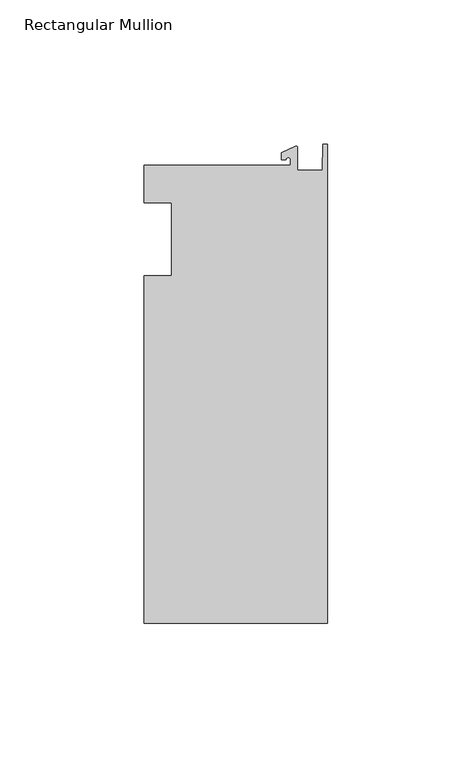
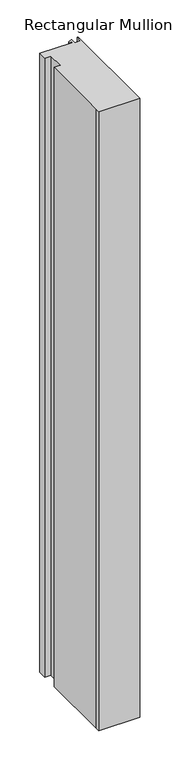
"""IFC4 building model written with IfcOpenShell, lengths in millimetres: member geometry, Rectangular Mullion."""

from ifc_helpers import new_model, si_unit, point, frame, frame_2d, origin, place, context, project, spatial, polyline, circle_curve, trimmed, segment, composite_curve, outline, extrude, source, transform, mapped, element, save


def rectangular_mullion_663186ad(model_context):
    return source(origin(), model_context, "Body", "SweptSolid", [
        extrude(outline(composite_curve([segment(polyline([(-12.8216721, 25.5984375), (-12.8216721, 27.5208534)]), True, "CONTINUOUS"), segment(trimmed(circle_curve(frame_2d((-13.6154221, 27.5208534)), 0.79375), [point((-12.8216721, 27.5208534))], [point((-14.4091721, 27.5208534))], True, "CARTESIAN"), True, "CONTINUOUS"), segment(polyline([(-14.4091721, 27.5208534), (-15.9966721, 27.5208534), (-15.9966721, 29.8830527), (-11.1567622, 32.1399398)]), True, "CONTINUOUS"), segment(trimmed(circle_curve(frame_2d((-10.9420721, 31.6795354)), 0.508), [point((-11.1567622, 32.1399398))], [point((-10.4340721, 31.6795354))], False, "CARTESIAN"), True, "CONTINUOUS"), segment(polyline([(-10.4340721, 31.6795354), (-10.4340721, 23.9227662), (-1.7144124, 23.9227662), (-1.5566453, 32.810012), (0.0, 32.810012), (0.0, -132.822512), (-63.5, -132.822512), (-63.5, -125.075512), (-63.5, -12.7), (-53.975, -12.7), (-53.975, 12.7), (-63.5, 12.7), (-63.5, 25.5984375), (-12.8216721, 25.5984375)]), True, "CONTINUOUS")], self_intersect=False)), frame((0.0, 0.0, -1017.16492), z_axis=(0.0, 0.0, 1.0), x_axis=(1.0, 0.0, 0.0)), (0.0, 0.0, 1.0), 1017.16492),
    ])


if __name__ == "__main__":
    model = new_model("IFC4")
    model_context = context("Model", 3, world=origin())
    ifc_project = project(units=[si_unit("LENGTHUNIT", "METRE", prefix="MILLI")], contexts=[model_context])
    site = spatial("IfcSite", under=ifc_project)
    building = spatial("IfcBuilding", under=site)
    placement = place(None, origin())
    rectangular_mullion_shape = rectangular_mullion_663186ad(model_context)
    element("IfcMember", 1, ObjectType="Rectangular Mullion", at=placement, inside=building, context=model_context, shape_type="MappedRepresentation", body=[
        mapped(rectangular_mullion_shape, transform((0.0, 0.0, 0.0), x_axis=(1.0, 0.0, 0.0), y_axis=(0.0, 1.0, 0.0), z_axis=(0.0, 0.0, 1.0))),
    ])
    save(model, "model.ifc")
